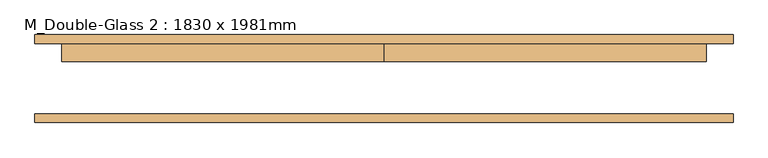
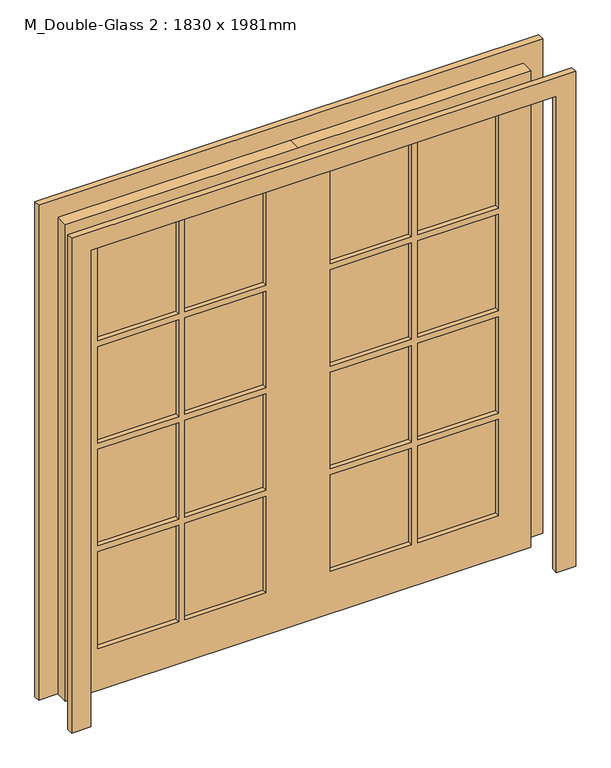
"""IFC4 building model written with IfcOpenShell, lengths in millimetres: door geometry, M_Double-Glass 2 : 1830 x 1981mm."""

from ifc_helpers import new_model, si_unit, frame, origin, place, context, project, spatial, polyline, outline, extrude, source, transform, mapped, element, save


def m_double_glass_2_1830_x_1981mm_0899556c(model_context):
    return source(origin(), model_context, "Body", "SweptSolid", [
        extrude(outline(polyline([(470.0, 80.95), (788.0, 80.95), (788.0, 68.25), (470.0, 68.25), (470.0, 80.95)])), frame((0.0, 0.0, 1454.5), z_axis=(0.0, 0.0, 1.0), x_axis=(1.0, 0.0, 0.0)), (0.0, 0.0, 1.0), 401.5),
        extrude(outline(polyline([(127.0, 80.95), (445.0, 80.95), (445.0, 68.25), (127.0, 68.25), (127.0, 80.95)])), frame((0.0, 0.0, 1454.5), z_axis=(0.0, 0.0, 1.0), x_axis=(1.0, 0.0, 0.0)), (0.0, 0.0, 1.0), 401.5),
        extrude(outline(polyline([(-445.0, 80.95), (-127.0, 80.95), (-127.0, 68.25), (-445.0, 68.25), (-445.0, 80.95)])), frame((0.0, 0.0, 1454.5), z_axis=(0.0, 0.0, 1.0), x_axis=(1.0, 0.0, 0.0)), (0.0, 0.0, 1.0), 401.5),
        extrude(outline(polyline([(-788.0, 80.95), (-470.0, 80.95), (-470.0, 68.25), (-788.0, 68.25), (-788.0, 80.95)])), frame((0.0, 0.0, 1454.5), z_axis=(0.0, 0.0, 1.0), x_axis=(1.0, 0.0, 0.0)), (0.0, 0.0, 1.0), 401.5),
        extrude(outline(polyline([(-788.0, 80.95), (-470.0, 80.95), (-470.0, 68.25), (-788.0, 68.25), (-788.0, 80.95)])), frame((0.0, 0.0, 1028.0), z_axis=(0.0, 0.0, 1.0), x_axis=(1.0, 0.0, 0.0)), (0.0, 0.0, 1.0), 401.5),
        extrude(outline(polyline([(-445.0, 80.95), (-127.0, 80.95), (-127.0, 68.25), (-445.0, 68.25), (-445.0, 80.95)])), frame((0.0, 0.0, 1028.0), z_axis=(0.0, 0.0, 1.0), x_axis=(1.0, 0.0, 0.0)), (0.0, 0.0, 1.0), 401.5),
        extrude(outline(polyline([(127.0, 80.95), (445.0, 80.95), (445.0, 68.25), (127.0, 68.25), (127.0, 80.95)])), frame((0.0, 0.0, 1028.0), z_axis=(0.0, 0.0, 1.0), x_axis=(1.0, 0.0, 0.0)), (0.0, 0.0, 1.0), 401.5),
        extrude(outline(polyline([(470.0, 80.95), (788.0, 80.95), (788.0, 68.25), (470.0, 68.25), (470.0, 80.95)])), frame((0.0, 0.0, 1028.0), z_axis=(0.0, 0.0, 1.0), x_axis=(1.0, 0.0, 0.0)), (0.0, 0.0, 1.0), 401.5),
        extrude(outline(polyline([(470.0, 80.95), (788.0, 80.95), (788.0, 68.25), (470.0, 68.25), (470.0, 80.95)])), frame((0.0, 0.0, 601.5), z_axis=(0.0, 0.0, 1.0), x_axis=(1.0, 0.0, 0.0)), (0.0, 0.0, 1.0), 401.5),
        extrude(outline(polyline([(127.0, 80.95), (445.0, 80.95), (445.0, 68.25), (127.0, 68.25), (127.0, 80.95)])), frame((0.0, 0.0, 601.5), z_axis=(0.0, 0.0, 1.0), x_axis=(1.0, 0.0, 0.0)), (0.0, 0.0, 1.0), 401.5),
        extrude(outline(polyline([(-445.0, 80.95), (-127.0, 80.95), (-127.0, 68.25), (-445.0, 68.25), (-445.0, 80.95)])), frame((0.0, 0.0, 601.5), z_axis=(0.0, 0.0, 1.0), x_axis=(1.0, 0.0, 0.0)), (0.0, 0.0, 1.0), 401.5),
        extrude(outline(polyline([(-788.0, 80.95), (-470.0, 80.95), (-470.0, 68.25), (-788.0, 68.25), (-788.0, 80.95)])), frame((0.0, 0.0, 601.5), z_axis=(0.0, 0.0, 1.0), x_axis=(1.0, 0.0, 0.0)), (0.0, 0.0, 1.0), 401.5),
        extrude(outline(polyline([(470.0, 80.95), (788.0, 80.95), (788.0, 68.25), (470.0, 68.25), (470.0, 80.95)])), frame((0.0, 0.0, 175.0), z_axis=(0.0, 0.0, 1.0), x_axis=(1.0, 0.0, 0.0)), (0.0, 0.0, 1.0), 401.5),
        extrude(outline(polyline([(127.0, 80.95), (445.0, 80.95), (445.0, 68.25), (127.0, 68.25), (127.0, 80.95)])), frame((0.0, 0.0, 175.0), z_axis=(0.0, 0.0, 1.0), x_axis=(1.0, 0.0, 0.0)), (0.0, 0.0, 1.0), 401.5),
        extrude(outline(polyline([(-445.0, 80.95), (-127.0, 80.95), (-127.0, 68.25), (-445.0, 68.25), (-445.0, 80.95)])), frame((0.0, 0.0, 175.0), z_axis=(0.0, 0.0, 1.0), x_axis=(1.0, 0.0, 0.0)), (0.0, 0.0, 1.0), 401.5),
        extrude(outline(polyline([(-788.0, 80.95), (-470.0, 80.95), (-470.0, 68.25), (-788.0, 68.25), (-788.0, 80.95)])), frame((0.0, 0.0, 175.0), z_axis=(0.0, 0.0, 1.0), x_axis=(1.0, 0.0, 0.0)), (0.0, 0.0, 1.0), 401.5),
        extrude(outline(polyline([(1981.0, 0.0), (1981.0, -915.0), (0.0, -915.0), (0.0, 0.0), (0.0, 915.0), (1981.0, 915.0), (1981.0, 0.0)]), holes=[polyline([(1856.0, 470.0), (1856.0, 788.0), (1454.5, 788.0), (1454.5, 470.0), (1856.0, 470.0)]), polyline([(1856.0, 127.0), (1856.0, 445.0), (1454.5, 445.0), (1454.5, 127.0), (1856.0, 127.0)]), polyline([(1429.5, 470.0), (1429.5, 788.0), (1028.0, 788.0), (1028.0, 470.0), (1429.5, 470.0)]), polyline([(1429.5, 127.0), (1429.5, 445.0), (1028.0, 445.0), (1028.0, 127.0), (1429.5, 127.0)]), polyline([(1003.0, 470.0), (1003.0, 788.0), (601.5, 788.0), (601.5, 470.0), (1003.0, 470.0)]), polyline([(1003.0, 127.0), (1003.0, 445.0), (601.5, 445.0), (601.5, 127.0), (1003.0, 127.0)]), polyline([(576.5, 470.0), (576.5, 788.0), (175.0, 788.0), (175.0, 470.0), (576.5, 470.0)]), polyline([(576.5, 127.0), (576.5, 445.0), (175.0, 445.0), (175.0, 127.0), (576.5, 127.0)]), polyline([(1856.0, -445.0), (1856.0, -127.0), (1454.5, -127.0), (1454.5, -445.0), (1856.0, -445.0)]), polyline([(1429.5, -445.0), (1429.5, -127.0), (1028.0, -127.0), (1028.0, -445.0), (1429.5, -445.0)]), polyline([(1429.5, -470.0), (1028.0, -470.0), (1028.0, -788.0), (1429.5, -788.0), (1429.5, -470.0)]), polyline([(1003.0, -445.0), (1003.0, -127.0), (601.5, -127.0), (601.5, -445.0), (1003.0, -445.0)]), polyline([(1003.0, -470.0), (601.5, -470.0), (601.5, -788.0), (1003.0, -788.0), (1003.0, -470.0)]), polyline([(576.5, -445.0), (576.5, -127.0), (175.0, -127.0), (175.0, -445.0), (576.5, -445.0)]), polyline([(576.5, -788.0), (576.5, -470.0), (175.0, -470.0), (175.0, -788.0), (576.5, -788.0)]), polyline([(1454.5, -470.0), (1454.5, -788.0), (1856.0, -788.0), (1856.0, -470.0), (1454.5, -470.0)])]), frame((0.0, 49.0, 0.0), z_axis=(0.0, 1.0, 0.0), x_axis=(0.0, 0.0, 1.0)), (0.0, 0.0, 1.0), 51.0),
        extrude(outline(polyline([(1981.0, -915.0), (1981.0, 915.0), (0.0, 915.0), (0.0, 991.0), (2057.0, 991.0), (2057.0, -991.0), (0.0, -991.0), (0.0, -915.0), (1981.0, -915.0)])), frame((0.0, -125.0, 0.0), z_axis=(0.0, 1.0, 0.0), x_axis=(0.0, 0.0, 1.0)), (0.0, 0.0, 1.0), 25.0),
        extrude(outline(polyline([(1981.0, -915.0), (1981.0, 915.0), (0.0, 915.0), (0.0, 991.0), (2057.0, 991.0), (2057.0, -991.0), (0.0, -991.0), (0.0, -915.0), (1981.0, -915.0)])), frame((0.0, 100.0, 0.0), z_axis=(0.0, 1.0, 0.0), x_axis=(0.0, 0.0, 1.0)), (0.0, 0.0, 1.0), 25.0),
    ])


if __name__ == "__main__":
    model = new_model("IFC4")
    model_context = context("Model", 3, world=origin())
    ifc_project = project(units=[si_unit("LENGTHUNIT", "METRE", prefix="MILLI")], contexts=[model_context])
    site = spatial("IfcSite", under=ifc_project)
    building = spatial("IfcBuilding", under=site)
    placement = place(None, origin())
    m_double_glass_2_1830_x_1981mm_shape = m_double_glass_2_1830_x_1981mm_0899556c(model_context)
    element("IfcDoor", 1, ObjectType="M_Double-Glass 2 : 1830 x 1981mm", at=placement, inside=building, context=model_context, shape_type="MappedRepresentation", body=[
        mapped(m_double_glass_2_1830_x_1981mm_shape, transform((0.0, 0.0, 0.0), x_axis=(1.0, 0.0, 0.0), y_axis=(0.0, 1.0, 0.0), z_axis=(0.0, 0.0, 1.0))),
    ])
    save(model, "model.ifc")
